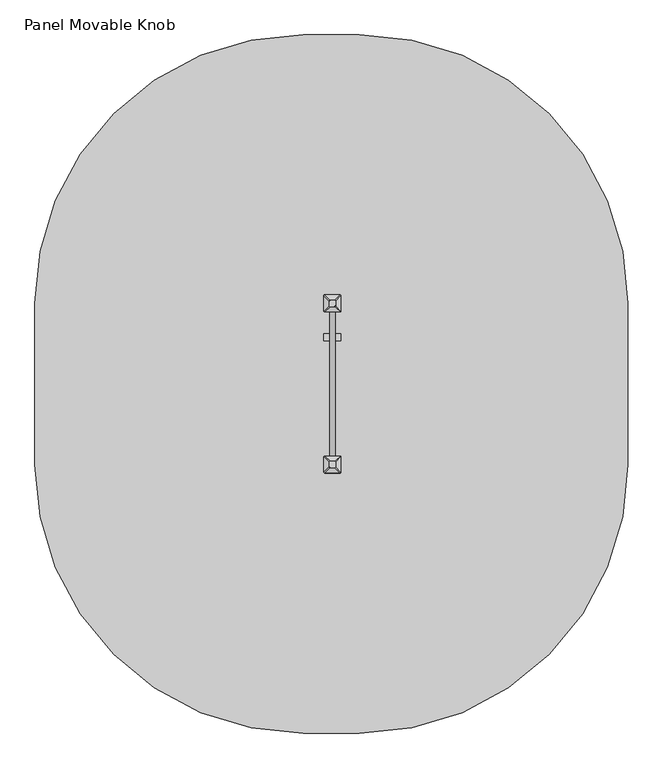
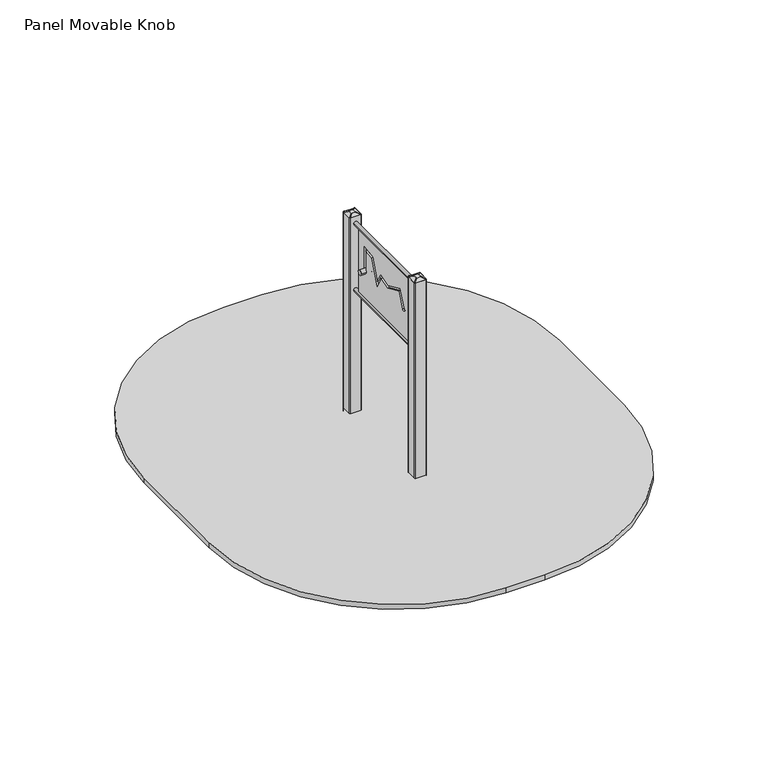
"""IFC4 building model written with IfcOpenShell, lengths in millimetres: furniture geometry, Panel Movable Knob."""

from ifc_helpers import new_model, si_unit, point, frame, frame_2d, origin, place, context, project, spatial, polyline, circle_curve, trimmed, segment, composite_curve, outline, extrude, source, transform, mapped, element, save
from ifc_brep_helpers import plane_surface, cylinder_surface, extruded_surface, advanced_brep


def panel_movable_knob_427b2dcc(model_context):
    return source(origin(), model_context, "Body", "SolidModel", [
        advanced_brep(
        [(17.5, -724.0, 1665.0), (12.5, -719.0, 1665.0), (-12.5, -719.0, 1665.0), (-17.5, -724.0, 1665.0), (-17.5, -749.0, 1665.0), (-12.5, -754.0, 1665.0), (12.5, -754.0, 1665.0), (17.5, -749.0, 1665.0), (47.5, -694.0, 1650.0), (47.5, -779.0, 1650.0), (42.5, -784.0, 1650.0), (-42.5, -784.0, 1650.0), (-47.5, -779.0, 1650.0), (-47.5, -694.0, 1650.0), (-42.5, -689.0, 1650.0), (42.5, -689.0, 1650.0)],
        [
            (0, 1, circle_curve(frame((12.5, -724.0, 1665.0), z_axis=(0.0, 0.0, 1.0), x_axis=(1.0, 0.0, 0.0)), 5.0)),
            (1, 2),
            (2, 3, circle_curve(frame((-12.5, -724.0, 1665.0), z_axis=(0.0, 0.0, 1.0), x_axis=(1.0, 0.0, 0.0)), 5.0)),
            (3, 4),
            (4, 5, circle_curve(frame((-12.5, -749.0, 1665.0), z_axis=(0.0, 0.0, 1.0), x_axis=(1.0, 0.0, 0.0)), 5.0)),
            (5, 6),
            (6, 7, circle_curve(frame((12.5, -749.0, 1665.0), z_axis=(0.0, 0.0, 1.0), x_axis=(1.0, 0.0, 0.0)), 5.0)),
            (7, 0),
            (8, 9),
            (9, 10, circle_curve(frame((42.5, -779.0, 1650.0), z_axis=(0.0, 0.0, -1.0), x_axis=(1.0, 0.0, 0.0)), 5.0)),
            (10, 11),
            (11, 12, circle_curve(frame((-42.5, -779.0, 1650.0), z_axis=(0.0, 0.0, -1.0), x_axis=(1.0, 0.0, 0.0)), 5.0)),
            (12, 13),
            (13, 14, circle_curve(frame((-42.5, -694.0, 1650.0), z_axis=(0.0, 0.0, -1.0), x_axis=(1.0, 0.0, 0.0)), 5.0)),
            (14, 15),
            (15, 8, circle_curve(frame((42.5, -694.0, 1650.0), z_axis=(0.0, 0.0, -1.0), x_axis=(1.0, 0.0, 0.0)), 5.0)),
            (8, 0),
            (7, 9),
            (6, 10),
            (5, 11),
            (4, 12),
            (3, 13),
            (2, 14),
            (1, 15),
        ],
        [
            plane_surface(frame((0.0, -736.5, 1665.0), z_axis=(0.0, 0.0, 1.0), x_axis=(-1.0, 0.0, 0.0))),
            plane_surface(frame((0.0, -736.5, 1650.0), z_axis=(0.0, 0.0, -1.0), x_axis=(-1.0, 0.0, 0.0))),
            plane_surface(frame((47.5, -736.5, 1650.0), z_axis=(0.447213595499958, 0.0, 0.894427190999916), x_axis=(0.0, -1.0, 0.0))),
            extruded_surface(trimmed(circle_curve(frame((12.5, -749.0, 1665.0), z_axis=(0.0, 0.0, -1.0), x_axis=(1.0, 0.0, 0.0)), 5.0), [point((17.5, -749.0, 1665.0))], [point((12.5, -754.0, 1665.0))], True, "CARTESIAN"), (30.0, -30.0, -15.0), 45.0),
            plane_surface(frame((0.0, -784.0, 1650.0), z_axis=(0.0, -0.447213595499958, 0.894427190999916), x_axis=(-1.0, 0.0, 0.0))),
            extruded_surface(trimmed(circle_curve(frame((-12.5, -749.0, 1665.0), z_axis=(0.0, 0.0, -1.0), x_axis=(1.0, 0.0, 0.0)), 5.0), [point((-12.5, -754.0, 1665.0))], [point((-17.5, -749.0, 1665.0))], True, "CARTESIAN"), (-30.0, -30.0, -15.0), 45.0),
            plane_surface(frame((-47.5, -736.5, 1650.0), z_axis=(-0.447213595499958, 0.0, 0.894427190999916), x_axis=(0.0, 1.0, 0.0))),
            extruded_surface(trimmed(circle_curve(frame((-12.5, -724.0, 1665.0), z_axis=(0.0, 0.0, -1.0), x_axis=(1.0, 0.0, 0.0)), 5.0), [point((-17.5, -724.0, 1665.0))], [point((-12.5, -719.0, 1665.0))], True, "CARTESIAN"), (-30.0, 30.0, -15.0), 45.0),
            plane_surface(frame((0.0, -689.0, 1650.0), z_axis=(0.0, 0.447213595499958, 0.894427190999916), x_axis=(1.0, 0.0, 0.0))),
            extruded_surface(trimmed(circle_curve(frame((12.5, -724.0, 1665.0), z_axis=(0.0, 0.0, -1.0), x_axis=(1.0, 0.0, 0.0)), 5.0), [point((12.5, -719.0, 1665.0))], [point((17.5, -724.0, 1665.0))], True, "CARTESIAN"), (30.0, 30.0, -15.0), 45.0),
        ],
        [
            (0, [[1, 2, 3, 4, 5, 6, 7, 8]]),
            (1, [[9, 10, 11, 12, 13, 14, 15, 16]]),
            (2, [[17, -8, 18, -9]]),
            (3, [[-18, -7, 19, -10]]),
            (4, [[-19, -6, 20, -11]]),
            (5, [[-20, -5, 21, -12]]),
            (6, [[-21, -4, 22, -13]]),
            (7, [[-22, -3, 23, -14]]),
            (8, [[-23, -2, 24, -15]]),
            (9, [[-24, -1, -17, -16]]),
        ],
    ),
        extrude(outline(composite_curve([segment(trimmed(circle_curve(frame_2d((42.5, -779.0)), 5.0), [point((47.5, -779.0))], [point((42.5, -784.0))], False, "CARTESIAN"), True, "CONTINUOUS"), segment(polyline([(42.5, -784.0), (-42.5, -784.0)]), True, "CONTINUOUS"), segment(trimmed(circle_curve(frame_2d((-42.5, -779.0)), 5.0), [point((-42.5, -784.0))], [point((-47.5, -779.0))], False, "CARTESIAN"), True, "CONTINUOUS"), segment(polyline([(-47.5, -779.0), (-47.5, -694.0)]), True, "CONTINUOUS"), segment(trimmed(circle_curve(frame_2d((-42.5, -694.0)), 5.0), [point((-47.5, -694.0))], [point((-42.5, -689.0))], False, "CARTESIAN"), True, "CONTINUOUS"), segment(polyline([(-42.5, -689.0), (42.5, -689.0)]), True, "CONTINUOUS"), segment(trimmed(circle_curve(frame_2d((42.5, -694.0)), 5.0), [point((42.5, -689.0))], [point((47.5, -694.0))], False, "CARTESIAN"), True, "CONTINUOUS"), segment(polyline([(47.5, -694.0), (47.5, -779.0)]), True, "CONTINUOUS")], self_intersect=False)), frame((0.0, 0.0, -600.0), z_axis=(0.0, 0.0, 1.0), x_axis=(1.0, 0.0, 0.0)), (0.0, 0.0, 1.0), 500.0),
        advanced_brep(
        [(90.0, -586.5, -600.0), (150.0, -646.5, -600.0), (150.0, -826.5, -600.0), (90.0, -886.5, -600.0), (-90.0, -886.5, -600.0), (-150.0, -826.5, -600.0), (-150.0, -646.5, -600.0), (-90.0, -586.5, -600.0), (-90.0, -586.5, -460.0), (90.0, -586.5, -460.0), (-150.0, -826.5, -460.0), (-150.0, -646.5, -460.0), (90.0, -886.5, -460.0), (-90.0, -886.5, -460.0), (150.0, -646.5, -460.0), (150.0, -826.5, -460.0), (-12.2959549, -663.8010597, -250.0), (-72.2959549, -723.8010597, -250.0), (-72.2959549, -749.1989403, -250.0), (-12.2959549, -809.1989403, -250.0), (12.2959549, -809.1989403, -250.0), (72.2959549, -749.1989403, -250.0), (72.2959549, -723.8010597, -250.0), (12.2959549, -663.8010597, -250.0)],
        [
            (0, 1, circle_curve(frame((90.0, -646.5, -600.0), z_axis=(0.0, 0.0, -1.0), x_axis=(1.0, 0.0, 0.0)), 60.0)),
            (1, 2),
            (2, 3, circle_curve(frame((90.0, -826.5, -600.0), z_axis=(0.0, 0.0, -1.0), x_axis=(1.0, 0.0, 0.0)), 60.0)),
            (3, 4),
            (4, 5, circle_curve(frame((-90.0, -826.5, -600.0), z_axis=(0.0, 0.0, -1.0), x_axis=(1.0, 0.0, 0.0)), 60.0)),
            (5, 6),
            (6, 7, circle_curve(frame((-90.0, -646.5, -600.0), z_axis=(0.0, 0.0, -1.0), x_axis=(1.0, 0.0, 0.0)), 60.0)),
            (7, 0),
            (7, 8),
            (8, 9),
            (9, 0),
            (5, 10),
            (10, 11),
            (11, 6),
            (3, 12),
            (12, 13),
            (13, 4),
            (1, 14),
            (14, 15),
            (15, 2),
            (16, 17, circle_curve(frame((-12.2959549, -723.8010597, -250.0), z_axis=(0.0, 0.0, 1.0), x_axis=(1.0, 0.0, 0.0)), 60.0)),
            (17, 18),
            (18, 19, circle_curve(frame((-12.2959549, -749.1989403, -250.0), z_axis=(0.0, 0.0, 1.0), x_axis=(1.0, 0.0, 0.0)), 60.0)),
            (19, 20),
            (20, 21, circle_curve(frame((12.2959549, -749.1989403, -250.0), z_axis=(0.0, 0.0, 1.0), x_axis=(1.0, 0.0, 0.0)), 60.0)),
            (21, 22),
            (22, 23, circle_curve(frame((12.2959549, -723.8010597, -250.0), z_axis=(0.0, 0.0, 1.0), x_axis=(1.0, 0.0, 0.0)), 60.0)),
            (23, 16),
            (17, 11),
            (10, 18),
            (19, 13),
            (12, 20),
            (21, 15),
            (14, 22),
            (23, 9),
            (8, 16),
            (11, 8, circle_curve(frame((-90.0, -646.5, -460.0), z_axis=(0.0, 0.0, -1.0), x_axis=(1.0, 0.0, 0.0)), 60.0)),
            (13, 10, circle_curve(frame((-90.0, -826.5, -460.0), z_axis=(0.0, 0.0, -1.0), x_axis=(1.0, 0.0, 0.0)), 60.0)),
            (15, 12, circle_curve(frame((90.0, -826.5, -460.0), z_axis=(0.0, 0.0, -1.0), x_axis=(1.0, 0.0, 0.0)), 60.0)),
            (9, 14, circle_curve(frame((90.0, -646.5, -460.0), z_axis=(0.0, 0.0, -1.0), x_axis=(1.0, 0.0, 0.0)), 60.0)),
        ],
        [
            plane_surface(frame((-176.6329682, -586.5, -600.0), z_axis=(0.0, 0.0, -1.0), x_axis=(1.0, 0.0, 0.0))),
            plane_surface(frame((90.0, -586.5, -460.0), z_axis=(0.0, 1.0, 0.0), x_axis=(0.0, 0.0, -1.0))),
            plane_surface(frame((-150.0, -646.5, -460.0), z_axis=(-1.0, 0.0, 0.0), x_axis=(0.0, 0.0, -1.0))),
            plane_surface(frame((-90.0, -886.5, -460.0), z_axis=(0.0, -1.0, 0.0), x_axis=(0.0, 0.0, -1.0))),
            plane_surface(frame((150.0, -826.5, -460.0), z_axis=(1.0, 0.0, 0.0), x_axis=(0.0, 0.0, -1.0))),
            plane_surface(frame((0.0, -736.5, -250.0), z_axis=(0.0, 0.0, 1.0), x_axis=(-1.0, 0.0, 0.0))),
            plane_surface(frame((-150.0, -736.5, -460.0), z_axis=(-0.9378559633153523, 0.0, 0.3470247715564883), x_axis=(0.0, -1.0, 0.0))),
            plane_surface(frame((0.0, -886.5, -460.0), z_axis=(0.0, -0.9384407279810882, 0.3454402988452927), x_axis=(1.0, 0.0, 0.0))),
            plane_surface(frame((150.0, -736.5, -460.0), z_axis=(0.9378559633153524, 0.0, 0.34702477155648764), x_axis=(0.0, 1.0, 0.0))),
            plane_surface(frame((0.0, -586.5, -460.0), z_axis=(0.0, 0.9384407279810884, 0.3454402988452924), x_axis=(-1.0, 0.0, 0.0))),
            cylinder_surface(frame((-90.0, -646.5, -600.0), z_axis=(0.0, 0.0, 1.0), x_axis=(1.0, 0.0, 0.0)), 60.0),
            cylinder_surface(frame((-90.0, -826.5, -600.0), z_axis=(0.0, 0.0, 1.0), x_axis=(1.0, 0.0, 0.0)), 60.0),
            cylinder_surface(frame((90.0, -826.5, -600.0), z_axis=(0.0, 0.0, 1.0), x_axis=(1.0, 0.0, 0.0)), 60.0),
            cylinder_surface(frame((90.0, -646.5, -600.0), z_axis=(0.0, 0.0, 1.0), x_axis=(1.0, 0.0, 0.0)), 60.0),
            extruded_surface(trimmed(circle_curve(frame((-90.0, -646.5, -460.0), z_axis=(0.0, 0.0, 1.0), x_axis=(1.0, 0.0, 0.0)), 60.0), [point((-90.0, -586.5, -460.0))], [point((-150.0, -646.5, -460.0))], True, "CARTESIAN"), (77.7040451, -77.3010597, 210.0), 236.8826132404947),
            extruded_surface(trimmed(circle_curve(frame((90.0, -646.5, -460.0), z_axis=(0.0, 0.0, 1.0), x_axis=(1.0, 0.0, 0.0)), 60.0), [point((150.0, -646.5, -460.0))], [point((90.0, -586.5, -460.0))], True, "CARTESIAN"), (-77.7040451, -77.3010597, 210.0), 236.8826132404947),
            extruded_surface(trimmed(circle_curve(frame((-90.0, -826.5, -460.0), z_axis=(0.0, 0.0, 1.0), x_axis=(1.0, 0.0, 0.0)), 60.0), [point((-150.0, -826.5, -460.0))], [point((-90.0, -886.5, -460.0))], True, "CARTESIAN"), (77.7040451, 77.3010597, 210.0), 236.8826132404947),
            extruded_surface(trimmed(circle_curve(frame((90.0, -826.5, -460.0), z_axis=(0.0, 0.0, 1.0), x_axis=(1.0, 0.0, 0.0)), 60.0), [point((90.0, -886.5, -460.0))], [point((150.0, -826.5, -460.0))], True, "CARTESIAN"), (-77.7040451, 77.3010597, 210.0), 236.8826132404947),
        ],
        [
            (0, [[1, 2, 3, 4, 5, 6, 7, 8]]),
            (1, [[-8, 9, 10, 11]]),
            (2, [[-6, 12, 13, 14]]),
            (3, [[-4, 15, 16, 17]]),
            (4, [[-2, 18, 19, 20]]),
            (5, [[21, 22, 23, 24, 25, 26, 27, 28]]),
            (6, [[-22, 29, -13, 30]]),
            (7, [[-24, 31, -16, 32]]),
            (8, [[-26, 33, -19, 34]]),
            (9, [[-28, 35, -10, 36]]),
            (10, [[-7, -14, 37, -9]]),
            (11, [[-5, -17, 38, -12]]),
            (12, [[-3, -20, 39, -15]]),
            (13, [[-1, -11, 40, -18]]),
            (14, [[-21, -36, -37, -29]]),
            (15, [[-27, -34, -40, -35]]),
            (16, [[-23, -30, -38, -31]]),
            (17, [[-25, -32, -39, -33]]),
        ],
    ),
        advanced_brep(
        [(17.5, 151.0, 1665.0), (17.5, 176.0, 1665.0), (12.5, 181.0, 1665.0), (-12.5, 181.0, 1665.0), (-17.5, 176.0, 1665.0), (-17.5, 151.0, 1665.0), (-12.5, 146.0, 1665.0), (12.5, 146.0, 1665.0), (47.5, 121.0, 1650.0), (42.5, 116.0, 1650.0), (-42.5, 116.0, 1650.0), (-47.5, 121.0, 1650.0), (-47.5, 206.0, 1650.0), (-42.5, 211.0, 1650.0), (42.5, 211.0, 1650.0), (47.5, 206.0, 1650.0)],
        [
            (0, 1),
            (1, 2, circle_curve(frame((12.5, 176.0, 1665.0), z_axis=(0.0, 0.0, 1.0), x_axis=(1.0, 0.0, 0.0)), 5.0)),
            (2, 3),
            (3, 4, circle_curve(frame((-12.5, 176.0, 1665.0), z_axis=(0.0, 0.0, 1.0), x_axis=(1.0, 0.0, 0.0)), 5.0)),
            (4, 5),
            (5, 6, circle_curve(frame((-12.5, 151.0, 1665.0), z_axis=(0.0, 0.0, 1.0), x_axis=(1.0, 0.0, 0.0)), 5.0)),
            (6, 7),
            (7, 0, circle_curve(frame((12.5, 151.0, 1665.0), z_axis=(0.0, 0.0, 1.0), x_axis=(1.0, 0.0, 0.0)), 5.0)),
            (8, 9, circle_curve(frame((42.5, 121.0, 1650.0), z_axis=(0.0, 0.0, -1.0), x_axis=(1.0, 0.0, 0.0)), 5.0)),
            (9, 10),
            (10, 11, circle_curve(frame((-42.5, 121.0, 1650.0), z_axis=(0.0, 0.0, -1.0), x_axis=(1.0, 0.0, 0.0)), 5.0)),
            (11, 12),
            (12, 13, circle_curve(frame((-42.5, 206.0, 1650.0), z_axis=(0.0, 0.0, -1.0), x_axis=(1.0, 0.0, 0.0)), 5.0)),
            (13, 14),
            (14, 15, circle_curve(frame((42.5, 206.0, 1650.0), z_axis=(0.0, 0.0, -1.0), x_axis=(1.0, 0.0, 0.0)), 5.0)),
            (15, 8),
            (15, 1),
            (0, 8),
            (14, 2),
            (13, 3),
            (12, 4),
            (11, 5),
            (10, 6),
            (9, 7),
        ],
        [
            plane_surface(frame((0.0, 163.5, 1665.0), z_axis=(0.0, 0.0, 1.0), x_axis=(-1.0, 0.0, 0.0))),
            plane_surface(frame((0.0, 163.5, 1650.0), z_axis=(0.0, 0.0, -1.0), x_axis=(-1.0, 0.0, 0.0))),
            plane_surface(frame((47.5, 163.5, 1650.0), z_axis=(0.447213595499958, 0.0, 0.894427190999916), x_axis=(0.0, 1.0, 0.0))),
            extruded_surface(trimmed(circle_curve(frame((42.5, 206.0, 1650.0), z_axis=(0.0, 0.0, 1.0), x_axis=(1.0, 0.0, 0.0)), 5.0), [point((47.5, 206.0, 1650.0))], [point((42.5, 211.0, 1650.0))], True, "CARTESIAN"), (-30.0, -30.0, 15.0), 45.0),
            plane_surface(frame((0.0, 211.0, 1650.0), z_axis=(0.0, 0.447213595499958, 0.894427190999916), x_axis=(-1.0, 0.0, 0.0))),
            extruded_surface(trimmed(circle_curve(frame((-42.5, 206.0, 1650.0), z_axis=(0.0, 0.0, 1.0), x_axis=(1.0, 0.0, 0.0)), 5.0), [point((-42.5, 211.0, 1650.0))], [point((-47.5, 206.0, 1650.0))], True, "CARTESIAN"), (30.0, -30.0, 15.0), 45.0),
            plane_surface(frame((-47.5, 163.5, 1650.0), z_axis=(-0.447213595499958, 0.0, 0.894427190999916), x_axis=(0.0, -1.0, 0.0))),
            extruded_surface(trimmed(circle_curve(frame((-42.5, 121.0, 1650.0), z_axis=(0.0, 0.0, 1.0), x_axis=(1.0, 0.0, 0.0)), 5.0), [point((-47.5, 121.0, 1650.0))], [point((-42.5, 116.0, 1650.0))], True, "CARTESIAN"), (30.0, 30.0, 15.0), 45.0),
            plane_surface(frame((0.0, 116.0, 1650.0), z_axis=(0.0, -0.447213595499958, 0.894427190999916), x_axis=(1.0, 0.0, 0.0))),
            extruded_surface(trimmed(circle_curve(frame((42.5, 121.0, 1650.0), z_axis=(0.0, 0.0, 1.0), x_axis=(1.0, 0.0, 0.0)), 5.0), [point((42.5, 116.0, 1650.0))], [point((47.5, 121.0, 1650.0))], True, "CARTESIAN"), (-30.0, 30.0, 15.0), 45.0),
        ],
        [
            (0, [[1, 2, 3, 4, 5, 6, 7, 8]]),
            (1, [[9, 10, 11, 12, 13, 14, 15, 16]]),
            (2, [[-16, 17, -1, 18]]),
            (3, [[-15, 19, -2, -17]]),
            (4, [[-14, 20, -3, -19]]),
            (5, [[-13, 21, -4, -20]]),
            (6, [[-12, 22, -5, -21]]),
            (7, [[-11, 23, -6, -22]]),
            (8, [[-10, 24, -7, -23]]),
            (9, [[-9, -18, -8, -24]]),
        ],
    ),
        extrude(outline(composite_curve([segment(trimmed(circle_curve(frame_2d((42.5, 121.0)), 5.0), [point((47.5, 121.0))], [point((42.5, 116.0))], False, "CARTESIAN"), True, "CONTINUOUS"), segment(polyline([(42.5, 116.0), (-42.5, 116.0)]), True, "CONTINUOUS"), segment(trimmed(circle_curve(frame_2d((-42.5, 121.0)), 5.0), [point((-42.5, 116.0))], [point((-47.5, 121.0))], False, "CARTESIAN"), True, "CONTINUOUS"), segment(polyline([(-47.5, 121.0), (-47.5, 206.0)]), True, "CONTINUOUS"), segment(trimmed(circle_curve(frame_2d((-42.5, 206.0)), 5.0), [point((-47.5, 206.0))], [point((-42.5, 211.0))], False, "CARTESIAN"), True, "CONTINUOUS"), segment(polyline([(-42.5, 211.0), (42.5, 211.0)]), True, "CONTINUOUS"), segment(trimmed(circle_curve(frame_2d((42.5, 206.0)), 5.0), [point((42.5, 211.0))], [point((47.5, 206.0))], False, "CARTESIAN"), True, "CONTINUOUS"), segment(polyline([(47.5, 206.0), (47.5, 121.0)]), True, "CONTINUOUS")], self_intersect=False)), frame((0.0, 0.0, -600.0), z_axis=(0.0, 0.0, 1.0), x_axis=(1.0, 0.0, 0.0)), (0.0, 0.0, 1.0), 500.0),
        advanced_brep(
        [(90.0, 313.5, -600.0), (150.0, 253.5, -600.0), (150.0, 73.5, -600.0), (90.0, 13.5, -600.0), (-90.0, 13.5, -600.0), (-150.0, 73.5, -600.0), (-150.0, 253.5, -600.0), (-90.0, 313.5, -600.0), (-90.0, 313.5, -460.0), (90.0, 313.5, -460.0), (-150.0, 73.5, -460.0), (-150.0, 253.5, -460.0), (90.0, 13.5, -460.0), (-90.0, 13.5, -460.0), (150.0, 253.5, -460.0), (150.0, 73.5, -460.0), (-12.2959549, 236.1989403, -250.0), (-72.2959549, 176.1989403, -250.0), (-72.2959549, 150.8010597, -250.0), (-12.2959549, 90.8010597, -250.0), (12.2959549, 90.8010597, -250.0), (72.2959549, 150.8010597, -250.0), (72.2959549, 176.1989403, -250.0), (12.2959549, 236.1989403, -250.0)],
        [
            (0, 1, circle_curve(frame((90.0, 253.5, -600.0), z_axis=(0.0, 0.0, -1.0), x_axis=(1.0, 0.0, 0.0)), 60.0)),
            (1, 2),
            (2, 3, circle_curve(frame((90.0, 73.5, -600.0), z_axis=(0.0, 0.0, -1.0), x_axis=(1.0, 0.0, 0.0)), 60.0)),
            (3, 4),
            (4, 5, circle_curve(frame((-90.0, 73.5, -600.0), z_axis=(0.0, 0.0, -1.0), x_axis=(1.0, 0.0, 0.0)), 60.0)),
            (5, 6),
            (6, 7, circle_curve(frame((-90.0, 253.5, -600.0), z_axis=(0.0, 0.0, -1.0), x_axis=(1.0, 0.0, 0.0)), 60.0)),
            (7, 0),
            (7, 8),
            (8, 9),
            (9, 0),
            (5, 10),
            (10, 11),
            (11, 6),
            (3, 12),
            (12, 13),
            (13, 4),
            (1, 14),
            (14, 15),
            (15, 2),
            (16, 17, circle_curve(frame((-12.2959549, 176.1989403, -250.0), z_axis=(0.0, 0.0, 1.0), x_axis=(1.0, 0.0, 0.0)), 60.0)),
            (17, 18),
            (18, 19, circle_curve(frame((-12.2959549, 150.8010597, -250.0), z_axis=(0.0, 0.0, 1.0), x_axis=(1.0, 0.0, 0.0)), 60.0)),
            (19, 20),
            (20, 21, circle_curve(frame((12.2959549, 150.8010597, -250.0), z_axis=(0.0, 0.0, 1.0), x_axis=(1.0, 0.0, 0.0)), 60.0)),
            (21, 22),
            (22, 23, circle_curve(frame((12.2959549, 176.1989403, -250.0), z_axis=(0.0, 0.0, 1.0), x_axis=(1.0, 0.0, 0.0)), 60.0)),
            (23, 16),
            (17, 11),
            (10, 18),
            (19, 13),
            (12, 20),
            (21, 15),
            (14, 22),
            (23, 9),
            (8, 16),
            (11, 8, circle_curve(frame((-90.0, 253.5, -460.0), z_axis=(0.0, 0.0, -1.0), x_axis=(1.0, 0.0, 0.0)), 60.0)),
            (13, 10, circle_curve(frame((-90.0, 73.5, -460.0), z_axis=(0.0, 0.0, -1.0), x_axis=(1.0, 0.0, 0.0)), 60.0)),
            (15, 12, circle_curve(frame((90.0, 73.5, -460.0), z_axis=(0.0, 0.0, -1.0), x_axis=(1.0, 0.0, 0.0)), 60.0)),
            (9, 14, circle_curve(frame((90.0, 253.5, -460.0), z_axis=(0.0, 0.0, -1.0), x_axis=(1.0, 0.0, 0.0)), 60.0)),
        ],
        [
            plane_surface(frame((-176.6329682, 313.5, -600.0), z_axis=(0.0, 0.0, -1.0), x_axis=(1.0, 0.0, 0.0))),
            plane_surface(frame((90.0, 313.5, -460.0), z_axis=(0.0, 1.0, 0.0), x_axis=(0.0, 0.0, -1.0))),
            plane_surface(frame((-150.0, 253.5, -460.0), z_axis=(-1.0, 0.0, 0.0), x_axis=(0.0, 0.0, -1.0))),
            plane_surface(frame((-90.0, 13.5, -460.0), z_axis=(0.0, -1.0, 0.0), x_axis=(0.0, 0.0, -1.0))),
            plane_surface(frame((150.0, 73.5, -460.0), z_axis=(1.0, 0.0, 0.0), x_axis=(0.0, 0.0, -1.0))),
            plane_surface(frame((0.0, 163.5, -250.0), z_axis=(0.0, 0.0, 1.0), x_axis=(-1.0, 0.0, 0.0))),
            plane_surface(frame((-150.0, 163.5, -460.0), z_axis=(-0.9378559633153523, 0.0, 0.3470247715564883), x_axis=(0.0, -1.0, 0.0))),
            plane_surface(frame((0.0, 13.5, -460.0), z_axis=(0.0, -0.9384407279810882, 0.3454402988452927), x_axis=(1.0, 0.0, 0.0))),
            plane_surface(frame((150.0, 163.5, -460.0), z_axis=(0.9378559633153524, 0.0, 0.34702477155648764), x_axis=(0.0, 1.0, 0.0))),
            plane_surface(frame((0.0, 313.5, -460.0), z_axis=(0.0, 0.9384407279810884, 0.3454402988452924), x_axis=(-1.0, 0.0, 0.0))),
            cylinder_surface(frame((-90.0, 253.5, -600.0), z_axis=(0.0, 0.0, 1.0), x_axis=(1.0, 0.0, 0.0)), 60.0),
            cylinder_surface(frame((-90.0, 73.5, -600.0), z_axis=(0.0, 0.0, 1.0), x_axis=(1.0, 0.0, 0.0)), 60.0),
            cylinder_surface(frame((90.0, 73.5, -600.0), z_axis=(0.0, 0.0, 1.0), x_axis=(1.0, 0.0, 0.0)), 60.0),
            cylinder_surface(frame((90.0, 253.5, -600.0), z_axis=(0.0, 0.0, 1.0), x_axis=(1.0, 0.0, 0.0)), 60.0),
            extruded_surface(trimmed(circle_curve(frame((-90.0, 253.5, -460.0), z_axis=(0.0, 0.0, 1.0), x_axis=(1.0, 0.0, 0.0)), 60.0), [point((-90.0, 313.5, -460.0))], [point((-150.0, 253.5, -460.0))], True, "CARTESIAN"), (77.7040451, -77.3010597, 210.0), 236.8826132404947),
            extruded_surface(trimmed(circle_curve(frame((90.0, 253.5, -460.0), z_axis=(0.0, 0.0, 1.0), x_axis=(1.0, 0.0, 0.0)), 60.0), [point((150.0, 253.5, -460.0))], [point((90.0, 313.5, -460.0))], True, "CARTESIAN"), (-77.7040451, -77.3010597, 210.0), 236.8826132404947),
            extruded_surface(trimmed(circle_curve(frame((-90.0, 73.5, -460.0), z_axis=(0.0, 0.0, 1.0), x_axis=(1.0, 0.0, 0.0)), 60.0), [point((-150.0, 73.5, -460.0))], [point((-90.0, 13.5, -460.0))], True, "CARTESIAN"), (77.7040451, 77.3010597, 210.0), 236.8826132404947),
            extruded_surface(trimmed(circle_curve(frame((90.0, 73.5, -460.0), z_axis=(0.0, 0.0, 1.0), x_axis=(1.0, 0.0, 0.0)), 60.0), [point((90.0, 13.5, -460.0))], [point((150.0, 73.5, -460.0))], True, "CARTESIAN"), (-77.7040451, 77.3010597, 210.0), 236.8826132404947),
        ],
        [
            (0, [[1, 2, 3, 4, 5, 6, 7, 8]]),
            (1, [[-8, 9, 10, 11]]),
            (2, [[-6, 12, 13, 14]]),
            (3, [[-4, 15, 16, 17]]),
            (4, [[-2, 18, 19, 20]]),
            (5, [[21, 22, 23, 24, 25, 26, 27, 28]]),
            (6, [[-22, 29, -13, 30]]),
            (7, [[-24, 31, -16, 32]]),
            (8, [[-26, 33, -19, 34]]),
            (9, [[-28, 35, -10, 36]]),
            (10, [[-7, -14, 37, -9]]),
            (11, [[-5, -17, 38, -12]]),
            (12, [[-3, -20, 39, -15]]),
            (13, [[-1, -11, 40, -18]]),
            (14, [[-21, -36, -37, -29]]),
            (15, [[-27, -34, -40, -35]]),
            (16, [[-23, -30, -38, -31]]),
            (17, [[-25, -32, -39, -33]]),
        ],
    ),
        extrude(outline(composite_curve([segment(trimmed(circle_curve(frame_2d((-25.6906058, 1278.868207)), 20.0), [point((-5.6906058, 1278.868207))], [point((-45.6906058, 1278.868207))], False, "CARTESIAN"), True, "CONTINUOUS"), segment(trimmed(circle_curve(frame_2d((-25.6906058, 1278.868207)), 20.0), [point((-45.6906058, 1278.868207))], [point((-5.6906058, 1278.868207))], False, "CARTESIAN"), True, "CONTINUOUS")], self_intersect=False)), frame((-47.5856957, 0.0, 0.0), z_axis=(1.0, 0.0, 0.0), x_axis=(0.0, 1.0, 0.0)), (0.0, 0.0, 1.0), 94.9768396),
        extrude(outline(polyline([(-632.7475719, 1578.0030563), (62.2524281, 1578.0030563), (62.2524281, 1049.9999934), (-632.7475719, 1049.9999934), (-632.7475719, 1578.0030563)]), holes=[composite_curve([segment(polyline([(-16.4458291, 1477.7575982), (-129.6987207, 1457.7880578), (-195.2548745, 1295.5308832), (-242.7548745, 1377.8032966), (-336.7241366, 1343.6012822), (-504.3910772, 1421.7856607), (-562.5821917, 1277.7575982)]), True, "CONTINUOUS"), segment(trimmed(circle_curve(frame_2d((-553.3103532, 1274.0115322)), 10.0), [point((-562.5821917, 1277.7575982))], [point((-544.0385146, 1270.2654663))], True, "CARTESIAN"), True, "CONTINUOUS"), segment(polyline([(-544.0385146, 1270.2654663), (-493.7424598, 1394.7525704), (-337.6684023, 1321.9740422), (-251.6843863, 1353.2696646), (-192.0723442, 1250.018579), (-115.3080001, 1440.0169978), (-36.4458291, 1453.9225263), (-36.4458291, 1277.7575982)]), True, "CONTINUOUS"), segment(trimmed(circle_curve(frame_2d((-26.4458291, 1277.7575982)), 10.0), [point((-36.4458291, 1277.7575982))], [point((-16.4458291, 1277.7575982))], True, "CARTESIAN"), True, "CONTINUOUS"), segment(polyline([(-16.4458291, 1277.7575982), (-16.4458291, 1477.7575982)]), True, "CONTINUOUS")], self_intersect=False)]), frame((-6.0, 0.0, 0.0), z_axis=(1.0, 0.0, 0.0), x_axis=(0.0, 1.0, 0.0)), (0.0, 0.0, 1.0), 12.0),
        extrude(outline(composite_curve([segment(trimmed(circle_curve(frame_2d((1594.0, 0.0)), 16.0), [point((1594.0, 16.0))], [point((1594.0, -16.0))], False, "CARTESIAN"), True, "CONTINUOUS"), segment(trimmed(circle_curve(frame_2d((1594.0, 0.0)), 16.0), [point((1594.0, -16.0))], [point((1594.0, 16.0))], False, "CARTESIAN"), True, "CONTINUOUS")], self_intersect=False)), frame((0.0, -689.0, 0.0), z_axis=(0.0, 1.0, 0.0), x_axis=(0.0, 0.0, 1.0)), (0.0, 0.0, 1.0), 805.0),
        extrude(outline(composite_curve([segment(trimmed(circle_curve(frame_2d((1034.0, 0.0)), 16.0), [point((1034.0, 16.0))], [point((1034.0, -16.0))], False, "CARTESIAN"), True, "CONTINUOUS"), segment(trimmed(circle_curve(frame_2d((1034.0, 0.0)), 16.0), [point((1034.0, -16.0))], [point((1034.0, 16.0))], False, "CARTESIAN"), True, "CONTINUOUS")], self_intersect=False)), frame((0.0, -689.0, 0.0), z_axis=(0.0, 1.0, 0.0), x_axis=(0.0, 0.0, 1.0)), (0.0, 0.0, 1.0), 805.0),
        extrude(outline(composite_curve([segment(trimmed(circle_curve(frame_2d((-42.5, -779.0)), 5.0), [point((-42.5, -784.0))], [point((-47.5, -779.0))], False, "CARTESIAN"), True, "CONTINUOUS"), segment(polyline([(-47.5, -779.0), (-47.5, -694.0)]), True, "CONTINUOUS"), segment(trimmed(circle_curve(frame_2d((-42.5, -694.0)), 5.0), [point((-47.5, -694.0))], [point((-42.5, -689.0))], False, "CARTESIAN"), True, "CONTINUOUS"), segment(polyline([(-42.5, -689.0), (42.5, -689.0)]), True, "CONTINUOUS"), segment(trimmed(circle_curve(frame_2d((42.5, -694.0)), 5.0), [point((42.5, -689.0))], [point((47.5, -694.0))], False, "CARTESIAN"), True, "CONTINUOUS"), segment(polyline([(47.5, -694.0), (47.5, -779.0)]), True, "CONTINUOUS"), segment(trimmed(circle_curve(frame_2d((42.5, -779.0)), 5.0), [point((47.5, -779.0))], [point((42.5, -784.0))], False, "CARTESIAN"), True, "CONTINUOUS"), segment(polyline([(42.5, -784.0), (-42.5, -784.0)]), True, "CONTINUOUS")], self_intersect=False)), frame((0.0, 0.0, -100.0), z_axis=(0.0, 0.0, 1.0), x_axis=(1.0, 0.0, 0.0)), (0.0, 0.0, 1.0), 1750.0),
        extrude(outline(composite_curve([segment(trimmed(circle_curve(frame_2d((150.0, 163.5)), 1500.0), [point((150.0, 1663.5))], [point((1650.0, 163.5))], False, "CARTESIAN"), True, "CONTINUOUS"), segment(polyline([(1650.0, 163.5), (1650.0, -736.5)]), True, "CONTINUOUS"), segment(trimmed(circle_curve(frame_2d((150.0, -736.5)), 1500.0), [point((1650.0, -736.5))], [point((150.0, -2236.5))], False, "CARTESIAN"), True, "CONTINUOUS"), segment(polyline([(150.0, -2236.5), (-162.0, -2236.5)]), True, "CONTINUOUS"), segment(trimmed(circle_curve(frame_2d((-162.0, -736.5)), 1500.0), [point((-162.0, -2236.5))], [point((-1662.0, -736.5))], False, "CARTESIAN"), True, "CONTINUOUS"), segment(polyline([(-1662.0, -736.5), (-1662.0, 163.5)]), True, "CONTINUOUS"), segment(trimmed(circle_curve(frame_2d((-162.0, 163.5)), 1500.0), [point((-1662.0, 163.5))], [point((-162.0, 1663.5))], False, "CARTESIAN"), True, "CONTINUOUS"), segment(polyline([(-162.0, 1663.5), (150.0, 1663.5)]), True, "CONTINUOUS")], self_intersect=False)), frame((0.0, 0.0, -40.0), z_axis=(0.0, 0.0, 1.0), x_axis=(1.0, 0.0, 0.0)), (0.0, 0.0, 1.0), 41.0),
        extrude(outline(composite_curve([segment(polyline([(-42.5, 211.0), (42.5, 211.0)]), True, "CONTINUOUS"), segment(trimmed(circle_curve(frame_2d((42.5, 206.0)), 5.0), [point((42.5, 211.0))], [point((47.5, 206.0))], False, "CARTESIAN"), True, "CONTINUOUS"), segment(polyline([(47.5, 206.0), (47.5, 121.0)]), True, "CONTINUOUS"), segment(trimmed(circle_curve(frame_2d((42.5, 121.0)), 5.0), [point((47.5, 121.0))], [point((42.5, 116.0))], False, "CARTESIAN"), True, "CONTINUOUS"), segment(polyline([(42.5, 116.0), (-42.5, 116.0)]), True, "CONTINUOUS"), segment(trimmed(circle_curve(frame_2d((-42.5, 121.0)), 5.0), [point((-42.5, 116.0))], [point((-47.5, 121.0))], False, "CARTESIAN"), True, "CONTINUOUS"), segment(polyline([(-47.5, 121.0), (-47.5, 206.0)]), True, "CONTINUOUS"), segment(trimmed(circle_curve(frame_2d((-42.5, 206.0)), 5.0), [point((-47.5, 206.0))], [point((-42.5, 211.0))], False, "CARTESIAN"), True, "CONTINUOUS")], self_intersect=False)), frame((0.0, 0.0, -100.0), z_axis=(0.0, 0.0, 1.0), x_axis=(1.0, 0.0, 0.0)), (0.0, 0.0, 1.0), 1750.0),
    ])


if __name__ == "__main__":
    model = new_model("IFC4")
    model_context = context("Model", 3, world=origin())
    ifc_project = project(units=[si_unit("LENGTHUNIT", "METRE", prefix="MILLI")], contexts=[model_context])
    site = spatial("IfcSite", under=ifc_project)
    building = spatial("IfcBuilding", under=site)
    placement = place(None, origin())
    panel_movable_knob_shape = panel_movable_knob_427b2dcc(model_context)
    element("IfcFurniture", 1, ObjectType="Panel Movable Knob", at=placement, inside=building, context=model_context, shape_type="MappedRepresentation", body=[
        mapped(panel_movable_knob_shape, transform((0.0, 0.0, 0.0), x_axis=(1.0, 0.0, 0.0), y_axis=(0.0, 1.0, 0.0), z_axis=(0.0, 0.0, 1.0))),
    ])
    save(model, "model.ifc")
